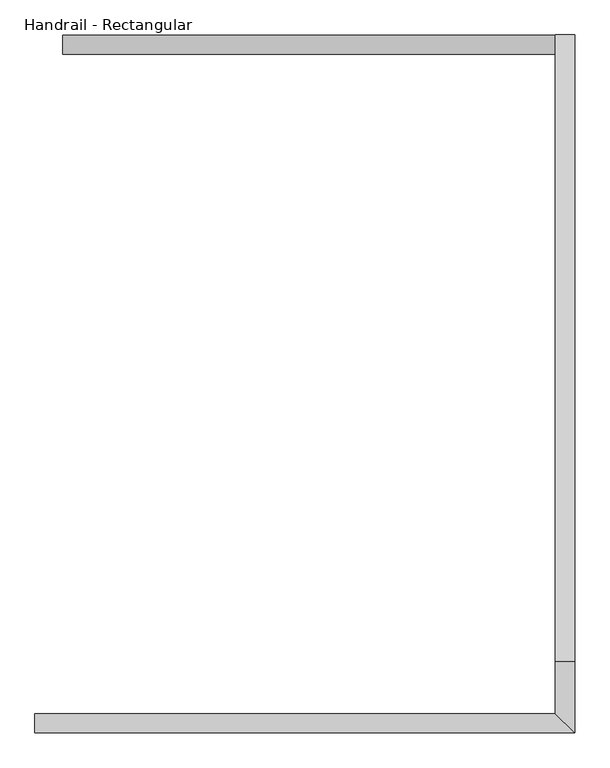
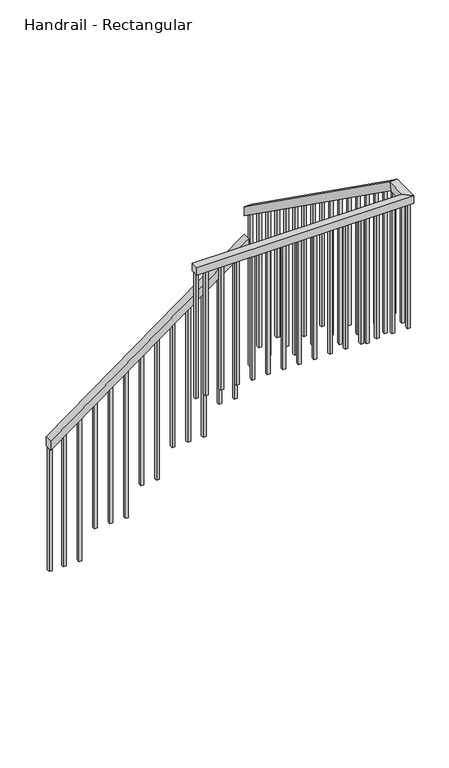
"""IFC4 building model written with IfcOpenShell, lengths in millimetres: railing geometry, Handrail - Rectangular."""

from ifc_helpers import new_model, si_unit, frame, origin, place, context, project, spatial, polyline, outline, extrude, faceted_brep, source, transform, mapped, element, save


def handrail_rectangular_247eb8ce(model_context):
    return source(origin(), model_context, "Body", "SolidModel", [
        faceted_brep([(-3885.6525104, -4035.1378962, -1298.7684971), (-3885.6525104, -3984.3378962, -1298.7684971), (-3885.6525104, -3984.3378962, -1361.6716773), (-3885.6525104, -4035.1378962, -1361.6716773), (-2591.0525104, -4035.1378962, -353.385157), (-2591.0525104, -4035.1378962, -416.2883372), (-2591.0525104, -3984.3378962, -416.2883372), (-2591.0525104, -3984.3378962, -353.385157)], [[[0, 1, 2, 3]], [[4, 5, 6, 7]], [[1, 0, 4, 7]], [[2, 1, 7, 6]], [[3, 2, 6, 5]], [[0, 3, 5, 4]]]),
        faceted_brep([(-2591.0525104, -3984.3378962, -161.1789565), (-2540.2525104, -3984.3378962, -161.1789565), (-2540.2525104, -3984.3378962, -223.479984), (-2591.0525104, -3984.3378962, -223.479984), (-2591.0525104, -5629.7378962, 1007.0), (-2540.2525104, -5629.7378962, 1007.0), (-2540.2525104, -5645.9372899, 956.2), (-2591.0525104, -5645.9372899, 956.2), (-2591.0525104, -5767.4937808, 1007.0), (-2540.2525104, -5818.2937808, 1007.0), (-2540.2525104, -5818.2937808, 956.2), (-2591.0525104, -5767.4937808, 956.2), (-3958.5854491, -5767.4937808, 1007.0), (-3958.5854491, -5767.4937808, 956.2), (-3958.5854491, -5818.2937808, 956.2), (-3958.5854491, -5818.2937808, 1007.0)], [[[0, 1, 2, 3]], [[1, 0, 4, 5]], [[2, 1, 5, 6]], [[3, 2, 6, 7]], [[0, 3, 7, 4]], [[5, 4, 8, 9]], [[6, 5, 9, 10]], [[7, 6, 10, 11]], [[4, 7, 11, 8]], [[12, 13, 14, 15]], [[9, 8, 12, 15]], [[10, 9, 15, 14]], [[11, 10, 14, 13]], [[8, 11, 13, 12]]]),
        extrude(outline(polyline([(-3876.9275104, -5783.3687808), (-3876.9275104, -5802.4187808), (-3895.9775104, -5802.4187808), (-3895.9775104, -5783.3687808), (-3876.9275104, -5783.3687808)])), frame((0.0, 0.0, 92.6), z_axis=(0.0, 0.0, 1.0), x_axis=(1.0, 0.0, 0.0)), (0.0, 0.0, 1.0), 863.6),
        extrude(outline(polyline([(-3775.3275104, -5783.3687808), (-3775.3275104, -5802.4187808), (-3794.3775104, -5802.4187808), (-3794.3775104, -5783.3687808), (-3775.3275104, -5783.3687808)])), frame((0.0, 0.0, 92.6), z_axis=(0.0, 0.0, 1.0), x_axis=(1.0, 0.0, 0.0)), (0.0, 0.0, 1.0), 863.6),
        extrude(outline(polyline([(-3673.7275104, -5783.3687808), (-3673.7275104, -5802.4187808), (-3692.7775104, -5802.4187808), (-3692.7775104, -5783.3687808), (-3673.7275104, -5783.3687808)])), frame((0.0, 0.0, 92.6), z_axis=(0.0, 0.0, 1.0), x_axis=(1.0, 0.0, 0.0)), (0.0, 0.0, 1.0), 863.6),
        extrude(outline(polyline([(-3572.1275104, -5783.3687808), (-3572.1275104, -5802.4187808), (-3591.1775104, -5802.4187808), (-3591.1775104, -5783.3687808), (-3572.1275104, -5783.3687808)])), frame((0.0, 0.0, 92.6), z_axis=(0.0, 0.0, 1.0), x_axis=(1.0, 0.0, 0.0)), (0.0, 0.0, 1.0), 863.6),
        extrude(outline(polyline([(-3470.5275104, -5783.3687808), (-3470.5275104, -5802.4187808), (-3489.5775104, -5802.4187808), (-3489.5775104, -5783.3687808), (-3470.5275104, -5783.3687808)])), frame((0.0, 0.0, 92.6), z_axis=(0.0, 0.0, 1.0), x_axis=(1.0, 0.0, 0.0)), (0.0, 0.0, 1.0), 863.6),
        extrude(outline(polyline([(-3368.9275104, -5783.3687808), (-3368.9275104, -5802.4187808), (-3387.9775104, -5802.4187808), (-3387.9775104, -5783.3687808), (-3368.9275104, -5783.3687808)])), frame((0.0, 0.0, 92.6), z_axis=(0.0, 0.0, 1.0), x_axis=(1.0, 0.0, 0.0)), (0.0, 0.0, 1.0), 863.6),
        extrude(outline(polyline([(-3267.3275104, -5783.3687808), (-3267.3275104, -5802.4187808), (-3286.3775104, -5802.4187808), (-3286.3775104, -5783.3687808), (-3267.3275104, -5783.3687808)])), frame((0.0, 0.0, 92.6), z_axis=(0.0, 0.0, 1.0), x_axis=(1.0, 0.0, 0.0)), (0.0, 0.0, 1.0), 863.6),
        extrude(outline(polyline([(-3165.7275104, -5783.3687808), (-3165.7275104, -5802.4187808), (-3184.7775104, -5802.4187808), (-3184.7775104, -5783.3687808), (-3165.7275104, -5783.3687808)])), frame((0.0, 0.0, 92.6), z_axis=(0.0, 0.0, 1.0), x_axis=(1.0, 0.0, 0.0)), (0.0, 0.0, 1.0), 863.6),
        extrude(outline(polyline([(-3064.1275104, -5783.3687808), (-3064.1275104, -5802.4187808), (-3083.1775104, -5802.4187808), (-3083.1775104, -5783.3687808), (-3064.1275104, -5783.3687808)])), frame((0.0, 0.0, 92.6), z_axis=(0.0, 0.0, 1.0), x_axis=(1.0, 0.0, 0.0)), (0.0, 0.0, 1.0), 863.6),
        extrude(outline(polyline([(-2962.5275104, -5783.3687808), (-2962.5275104, -5802.4187808), (-2981.5775104, -5802.4187808), (-2981.5775104, -5783.3687808), (-2962.5275104, -5783.3687808)])), frame((0.0, 0.0, 92.6), z_axis=(0.0, 0.0, 1.0), x_axis=(1.0, 0.0, 0.0)), (0.0, 0.0, 1.0), 863.6),
        extrude(outline(polyline([(-2860.9275104, -5783.3687808), (-2860.9275104, -5802.4187808), (-2879.9775104, -5802.4187808), (-2879.9775104, -5783.3687808), (-2860.9275104, -5783.3687808)])), frame((0.0, 0.0, 92.6), z_axis=(0.0, 0.0, 1.0), x_axis=(1.0, 0.0, 0.0)), (0.0, 0.0, 1.0), 863.6),
        extrude(outline(polyline([(-2759.3275104, -5783.3687808), (-2759.3275104, -5802.4187808), (-2778.3775104, -5802.4187808), (-2778.3775104, -5783.3687808), (-2759.3275104, -5783.3687808)])), frame((0.0, 0.0, 92.6), z_axis=(0.0, 0.0, 1.0), x_axis=(1.0, 0.0, 0.0)), (0.0, 0.0, 1.0), 863.6),
        extrude(outline(polyline([(-2657.7275104, -5783.3687808), (-2657.7275104, -5802.4187808), (-2676.7775104, -5802.4187808), (-2676.7775104, -5783.3687808), (-2657.7275104, -5783.3687808)])), frame((0.0, 0.0, 92.6), z_axis=(0.0, 0.0, 1.0), x_axis=(1.0, 0.0, 0.0)), (0.0, 0.0, 1.0), 863.6),
        extrude(outline(polyline([(-2575.1775104, -5721.8128962), (-2556.1275104, -5721.8128962), (-2556.1275104, -5740.8628962), (-2575.1775104, -5740.8628962), (-2575.1775104, -5721.8128962)])), frame((0.0, 0.0, 92.6), z_axis=(0.0, 0.0, 1.0), x_axis=(1.0, 0.0, 0.0)), (0.0, 0.0, 1.0), 863.6),
        extrude(outline(polyline([(-5543.2628962, 883.3046153), (-5524.2128962, 869.7797525), (-5524.2128962, -99.0909677), (-5543.2628962, -99.0909677), (-5543.2628962, 883.3046153)])), frame((-2575.1775104, 0.0, 0.0), z_axis=(1.0, 0.0, 0.0), x_axis=(0.0, 1.0, 0.0)), (0.0, 0.0, 1.0), 19.05),
        extrude(outline(polyline([(-5441.6628962, 811.1720141), (-5422.6128962, 797.6471514), (-5422.6128962, -99.0909677), (-5441.6628962, -99.0909677), (-5441.6628962, 811.1720141)])), frame((-2575.1775104, 0.0, 0.0), z_axis=(1.0, 0.0, 0.0), x_axis=(0.0, 1.0, 0.0)), (0.0, 0.0, 1.0), 19.05),
        extrude(outline(polyline([(-5340.0628962, 738.9506671), (-5321.0128962, 725.4258044), (-5321.0128962, -290.7819354), (-5340.0628962, -290.7819354), (-5340.0628962, 738.9506671)])), frame((-2575.1775104, 0.0, 0.0), z_axis=(1.0, 0.0, 0.0), x_axis=(0.0, 1.0, 0.0)), (0.0, 0.0, 1.0), 19.05),
        extrude(outline(polyline([(-5238.4628962, 666.9068117), (-5219.4128962, 653.381949), (-5219.4128962, -290.7819354), (-5238.4628962, -290.7819354), (-5238.4628962, 666.9068117)])), frame((-2575.1775104, 0.0, 0.0), z_axis=(1.0, 0.0, 0.0), x_axis=(0.0, 1.0, 0.0)), (0.0, 0.0, 1.0), 19.05),
        extrude(outline(polyline([(-5136.8628962, 594.7742106), (-5117.8128962, 581.2493478), (-5117.8128962, -290.7819354), (-5136.8628962, -290.7819354), (-5136.8628962, 594.7742106)])), frame((-2575.1775104, 0.0, 0.0), z_axis=(1.0, 0.0, 0.0), x_axis=(0.0, 1.0, 0.0)), (0.0, 0.0, 1.0), 19.05),
        extrude(outline(polyline([(-5035.2628962, 522.6416094), (-5016.2128962, 509.1167467), (-5016.2128962, -482.4729031), (-5035.2628962, -482.4729031), (-5035.2628962, 522.6416094)])), frame((-2575.1775104, 0.0, 0.0), z_axis=(1.0, 0.0, 0.0), x_axis=(0.0, 1.0, 0.0)), (0.0, 0.0, 1.0), 19.05),
        extrude(outline(polyline([(-4933.6628962, 450.5090082), (-4914.6128962, 436.9841455), (-4914.6128962, -482.4729031), (-4933.6628962, -482.4729031), (-4933.6628962, 450.5090082)])), frame((-2575.1775104, 0.0, 0.0), z_axis=(1.0, 0.0, 0.0), x_axis=(0.0, 1.0, 0.0)), (0.0, 0.0, 1.0), 19.05),
        extrude(outline(polyline([(-4832.0628962, 378.376407), (-4813.0128962, 364.8515443), (-4813.0128962, -482.4729031), (-4832.0628962, -482.4729031), (-4832.0628962, 378.376407)])), frame((-2575.1775104, 0.0, 0.0), z_axis=(1.0, 0.0, 0.0), x_axis=(0.0, 1.0, 0.0)), (0.0, 0.0, 1.0), 19.05),
        extrude(outline(polyline([(-4730.4628962, 306.2438058), (-4711.4128962, 292.7189431), (-4711.4128962, -674.1638708), (-4730.4628962, -674.1638708), (-4730.4628962, 306.2438058)])), frame((-2575.1775104, 0.0, 0.0), z_axis=(1.0, 0.0, 0.0), x_axis=(0.0, 1.0, 0.0)), (0.0, 0.0, 1.0), 19.05),
        extrude(outline(polyline([(-4628.8628962, 234.1112047), (-4609.8128962, 220.586342), (-4609.8128962, -674.1638708), (-4628.8628962, -674.1638708), (-4628.8628962, 234.1112047)])), frame((-2575.1775104, 0.0, 0.0), z_axis=(1.0, 0.0, 0.0), x_axis=(0.0, 1.0, 0.0)), (0.0, 0.0, 1.0), 19.05),
        extrude(outline(polyline([(-4527.2628962, 161.9786035), (-4508.2128962, 148.4537408), (-4508.2128962, -865.8548385), (-4527.2628962, -865.8548385), (-4527.2628962, 161.9786035)])), frame((-2575.1775104, 0.0, 0.0), z_axis=(1.0, 0.0, 0.0), x_axis=(0.0, 1.0, 0.0)), (0.0, 0.0, 1.0), 19.05),
        extrude(outline(polyline([(-4425.6628962, 89.8460023), (-4406.6128962, 76.3211396), (-4406.6128962, -865.8548385), (-4425.6628962, -865.8548385), (-4425.6628962, 89.8460023)])), frame((-2575.1775104, 0.0, 0.0), z_axis=(1.0, 0.0, 0.0), x_axis=(0.0, 1.0, 0.0)), (0.0, 0.0, 1.0), 19.05),
        extrude(outline(polyline([(-4324.0628962, 17.7134011), (-4305.0128962, 4.1885384), (-4305.0128962, -865.8548385), (-4324.0628962, -865.8548385), (-4324.0628962, 17.7134011)])), frame((-2575.1775104, 0.0, 0.0), z_axis=(1.0, 0.0, 0.0), x_axis=(0.0, 1.0, 0.0)), (0.0, 0.0, 1.0), 19.05),
        extrude(outline(polyline([(-4222.4628962, -54.4192), (-4203.4128962, -67.9440628), (-4203.4128962, -1057.5458062), (-4222.4628962, -1057.5458062), (-4222.4628962, -54.4192)])), frame((-2575.1775104, 0.0, 0.0), z_axis=(1.0, 0.0, 0.0), x_axis=(0.0, 1.0, 0.0)), (0.0, 0.0, 1.0), 19.05),
        extrude(outline(polyline([(-4120.8628962, -126.5518012), (-4101.8128962, -140.0766639), (-4101.8128962, -1057.5458062), (-4120.8628962, -1057.5458062), (-4120.8628962, -126.5518012)])), frame((-2575.1775104, 0.0, 0.0), z_axis=(1.0, 0.0, 0.0), x_axis=(0.0, 1.0, 0.0)), (0.0, 0.0, 1.0), 19.05),
        extrude(outline(polyline([(-464.3936419, -2656.9275104), (-478.3049293, -2675.9775104), (-1440.9277416, -2675.9775104), (-1440.9277416, -2656.9275104), (-464.3936419, -2656.9275104)])), frame((0.0, -4019.2628962, 0.0), z_axis=(0.0, 1.0, 0.0), x_axis=(0.0, 0.0, 1.0)), (0.0, 0.0, 1.0), 19.05),
        extrude(outline(polyline([(-538.5871745, -2758.5275104), (-552.4984619, -2777.5775104), (-1440.9277416, -2777.5775104), (-1440.9277416, -2758.5275104), (-538.5871745, -2758.5275104)])), frame((0.0, -4019.2628962, 0.0), z_axis=(0.0, 1.0, 0.0), x_axis=(0.0, 0.0, 1.0)), (0.0, 0.0, 1.0), 19.05),
        extrude(outline(polyline([(-612.7807072, -2860.1275104), (-626.6919946, -2879.1775104), (-1632.6187092, -2879.1775104), (-1632.6187092, -2860.1275104), (-612.7807072, -2860.1275104)])), frame((0.0, -4019.2628962, 0.0), z_axis=(0.0, 1.0, 0.0), x_axis=(0.0, 0.0, 1.0)), (0.0, 0.0, 1.0), 19.05),
        extrude(outline(polyline([(-686.9742398, -2961.7275104), (-700.8855272, -2980.7775104), (-1632.6187092, -2980.7775104), (-1632.6187092, -2961.7275104), (-686.9742398, -2961.7275104)])), frame((0.0, -4019.2628962, 0.0), z_axis=(0.0, 1.0, 0.0), x_axis=(0.0, 0.0, 1.0)), (0.0, 0.0, 1.0), 19.05),
        extrude(outline(polyline([(-761.1677725, -3063.3275104), (-775.0790598, -3082.3775104), (-1632.6187092, -3082.3775104), (-1632.6187092, -3063.3275104), (-761.1677725, -3063.3275104)])), frame((0.0, -4019.2628962, 0.0), z_axis=(0.0, 1.0, 0.0), x_axis=(0.0, 0.0, 1.0)), (0.0, 0.0, 1.0), 19.05),
        extrude(outline(polyline([(-835.3613051, -3164.9275104), (-849.2725925, -3183.9775104), (-1824.3096769, -3183.9775104), (-1824.3096769, -3164.9275104), (-835.3613051, -3164.9275104)])), frame((0.0, -4019.2628962, 0.0), z_axis=(0.0, 1.0, 0.0), x_axis=(0.0, 0.0, 1.0)), (0.0, 0.0, 1.0), 19.05),
        extrude(outline(polyline([(-909.5548377, -3266.5275104), (-923.4661251, -3285.5775104), (-1824.3096769, -3285.5775104), (-1824.3096769, -3266.5275104), (-909.5548377, -3266.5275104)])), frame((0.0, -4019.2628962, 0.0), z_axis=(0.0, 1.0, 0.0), x_axis=(0.0, 0.0, 1.0)), (0.0, 0.0, 1.0), 19.05),
        extrude(outline(polyline([(-983.7483704, -3368.1275104), (-997.6596577, -3387.1775104), (-2016.0006446, -3387.1775104), (-2016.0006446, -3368.1275104), (-983.7483704, -3368.1275104)])), frame((0.0, -4019.2628962, 0.0), z_axis=(0.0, 1.0, 0.0), x_axis=(0.0, 0.0, 1.0)), (0.0, 0.0, 1.0), 19.05),
        extrude(outline(polyline([(-1057.941903, -3469.7275104), (-1071.8531904, -3488.7775104), (-2016.0006446, -3488.7775104), (-2016.0006446, -3469.7275104), (-1057.941903, -3469.7275104)])), frame((0.0, -4019.2628962, 0.0), z_axis=(0.0, 1.0, 0.0), x_axis=(0.0, 0.0, 1.0)), (0.0, 0.0, 1.0), 19.05),
        extrude(outline(polyline([(-1132.1354357, -3571.3275104), (-1146.046723, -3590.3775104), (-2016.0006446, -3590.3775104), (-2016.0006446, -3571.3275104), (-1132.1354357, -3571.3275104)])), frame((0.0, -4019.2628962, 0.0), z_axis=(0.0, 1.0, 0.0), x_axis=(0.0, 0.0, 1.0)), (0.0, 0.0, 1.0), 19.05),
        extrude(outline(polyline([(-1206.3289683, -3672.9275104), (-1220.2402557, -3691.9775104), (-2207.6916123, -3691.9775104), (-2207.6916123, -3672.9275104), (-1206.3289683, -3672.9275104)])), frame((0.0, -4019.2628962, 0.0), z_axis=(0.0, 1.0, 0.0), x_axis=(0.0, 0.0, 1.0)), (0.0, 0.0, 1.0), 19.05),
        extrude(outline(polyline([(-1280.5225009, -3774.5275104), (-1294.4337883, -3793.5775104), (-2207.6916123, -3793.5775104), (-2207.6916123, -3774.5275104), (-1280.5225009, -3774.5275104)])), frame((0.0, -4019.2628962, 0.0), z_axis=(0.0, 1.0, 0.0), x_axis=(0.0, 0.0, 1.0)), (0.0, 0.0, 1.0), 19.05),
        extrude(outline(polyline([(-2575.1775104, -5783.3687808), (-2556.1275104, -5783.3687808), (-2556.1275104, -5802.4187808), (-2575.1775104, -5802.4187808), (-2575.1775104, -5783.3687808)])), frame((0.0, 0.0, 92.6), z_axis=(0.0, 0.0, 1.0), x_axis=(1.0, 0.0, 0.0)), (0.0, 0.0, 1.0), 863.6),
        extrude(outline(polyline([(-2575.1775104, -5620.2128962), (-2556.1275104, -5620.2128962), (-2556.1275104, -5639.2628962), (-2575.1775104, -5639.2628962), (-2575.1775104, -5620.2128962)])), frame((0.0, 0.0, 92.6), z_axis=(0.0, 0.0, 1.0), x_axis=(1.0, 0.0, 0.0)), (0.0, 0.0, 1.0), 863.6),
        extrude(outline(polyline([(-4019.2628962, -198.6844024), (-4000.2128962, -212.2092651), (-4000.2128962, -1249.2367739), (-4019.2628962, -1249.2367739), (-4019.2628962, -198.6844024)])), frame((-2575.1775104, 0.0, 0.0), z_axis=(1.0, 0.0, 0.0), x_axis=(0.0, 1.0, 0.0)), (0.0, 0.0, 1.0), 19.05),
        extrude(outline(polyline([(-3939.5354491, -5783.3687808), (-3939.5354491, -5802.4187808), (-3958.5854491, -5802.4187808), (-3958.5854491, -5783.3687808), (-3939.5354491, -5783.3687808)])), frame((0.0, 0.0, 92.6), z_axis=(0.0, 0.0, 1.0), x_axis=(1.0, 0.0, 0.0)), (0.0, 0.0, 1.0), 863.6),
        extrude(outline(polyline([(-1347.7603899, -3866.6025104), (-1361.6716773, -3885.6525104), (-2207.6916123, -3885.6525104), (-2207.6916123, -3866.6025104), (-1347.7603899, -3866.6025104)])), frame((0.0, -4019.2628962, 0.0), z_axis=(0.0, 1.0, 0.0), x_axis=(0.0, 0.0, 1.0)), (0.0, 0.0, 1.0), 19.05),
    ])


if __name__ == "__main__":
    model = new_model("IFC4")
    model_context = context("Model", 3, world=origin())
    ifc_project = project(units=[si_unit("LENGTHUNIT", "METRE", prefix="MILLI")], contexts=[model_context])
    site = spatial("IfcSite", under=ifc_project)
    building = spatial("IfcBuilding", under=site)
    placement = place(None, origin())
    handrail_rectangular_shape = handrail_rectangular_247eb8ce(model_context)
    element("IfcRailing", 1, ObjectType="Handrail - Rectangular", at=placement, inside=building, context=model_context, shape_type="MappedRepresentation", body=[
        mapped(handrail_rectangular_shape, transform((0.0, 0.0, 0.0), x_axis=(1.0, 0.0, 0.0), y_axis=(0.0, 1.0, 0.0), z_axis=(0.0, 0.0, 1.0))),
    ])
    save(model, "model.ifc")
